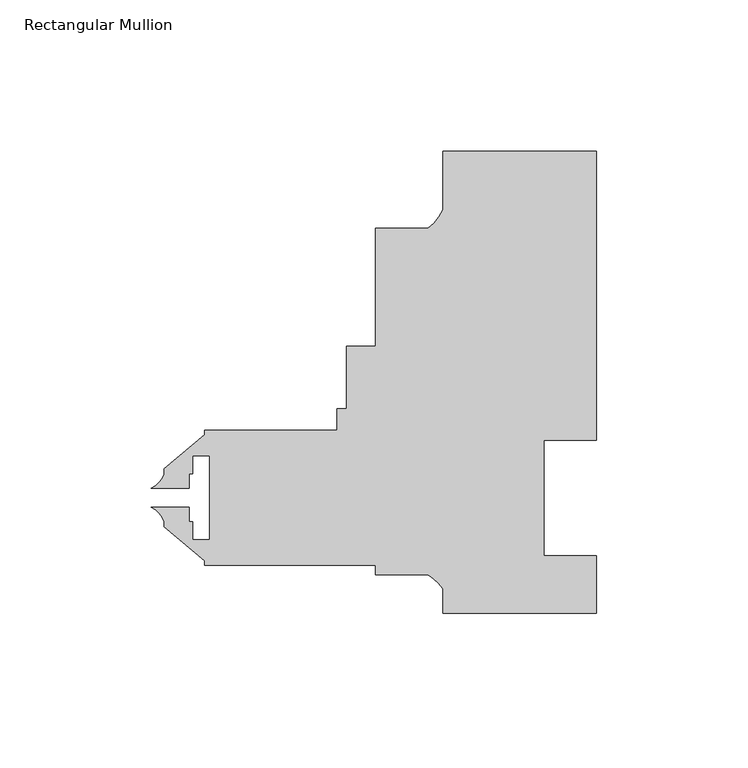
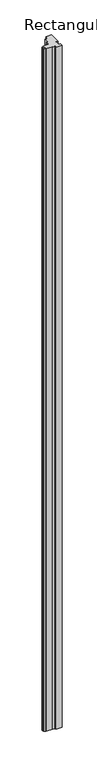
"""IFC4 building model written with IfcOpenShell, lengths in millimetres: member geometry, Rectangular Mullion."""

from ifc_helpers import new_model, si_unit, point, frame, frame_2d, origin, place, context, project, spatial, polyline, circle_curve, trimmed, segment, composite_curve, outline, extrude, source, transform, mapped, element, save


def rectangular_mullion_e307ffc6(model_context):
    return source(origin(), model_context, "Body", "SweptSolid", [
        extrude(outline(composite_curve([segment(polyline([(-47.625, 127.0), (-30.2934851, 127.0)]), True, "CONTINUOUS"), segment(trimmed(circle_curve(frame_2d((-39.5144624, 139.281361)), 15.3576772), [point((-30.2934851, 127.0))], [point((-25.4, 133.228246))], True, "CARTESIAN"), True, "CONTINUOUS"), segment(polyline([(-25.4, 133.228246), (-25.4, 152.4), (25.4, 152.4), (25.4, 57.15), (7.9502, 57.15), (7.9502, 19.05), (25.3999898, 19.05), (25.3999898, 0.0), (-25.4000102, 0.0), (-25.4000102, 8.1515407)]), True, "CONTINUOUS"), segment(trimmed(circle_curve(frame_2d((-37.3094465, 0.1243368)), 14.3621265), [point((-25.4000102, 8.1515407))], [point((-30.3723453, 12.7))], True, "CARTESIAN"), True, "CONTINUOUS"), segment(polyline([(-30.3723453, 12.7), (-47.625, 12.7), (-47.625, 15.875), (-103.98125, 15.875), (-103.98125, 17.2691667), (-117.44325, 28.565126), (-117.44325, 30.2532603)]), True, "CONTINUOUS"), segment(trimmed(circle_curve(frame_2d((-124.8192524, 27.8631039)), 7.7535965), [point((-117.44325, 30.2532603))], [point((-121.6410584, 34.9353979))], True, "CARTESIAN"), True, "CONTINUOUS"), segment(polyline([(-121.6410584, 34.9353979), (-109.14848, 34.9353979), (-109.14848, 30.17266), (-108.01985, 30.17266), (-108.01985, 24.20366), (-102.40645, 24.20366), (-102.40645, 51.99126), (-108.01985, 51.99126), (-108.01985, 46.02226), (-109.14848, 46.02226), (-109.14848, 41.2595155), (-121.6410731, 41.2595155)]), True, "CONTINUOUS"), segment(trimmed(circle_curve(frame_2d((-124.8192524, 48.3318161)), 7.7535965), [point((-121.6410731, 41.2595155))], [point((-117.44325, 45.9416597))], True, "CARTESIAN"), True, "CONTINUOUS"), segment(polyline([(-117.44325, 45.9416597), (-117.44325, 47.629794), (-103.98125, 58.9257533), (-103.98125, 60.325), (-60.3274573, 60.325), (-60.3274573, 67.537255), (-57.1524573, 67.537255), (-57.1524573, 88.162055), (-47.625, 88.162055), (-47.625, 127.0)]), True, "CONTINUOUS")], self_intersect=False)), frame((0.0, 0.0, -6215.2544314), z_axis=(0.0, 0.0, 1.0), x_axis=(1.0, 0.0, 0.0)), (0.0, 0.0, 1.0), 6215.2544314),
    ])


if __name__ == "__main__":
    model = new_model("IFC4")
    model_context = context("Model", 3, world=origin())
    ifc_project = project(units=[si_unit("LENGTHUNIT", "METRE", prefix="MILLI")], contexts=[model_context])
    site = spatial("IfcSite", under=ifc_project)
    building = spatial("IfcBuilding", under=site)
    placement = place(None, origin())
    rectangular_mullion_shape = rectangular_mullion_e307ffc6(model_context)
    element("IfcMember", 1, ObjectType="Rectangular Mullion", at=placement, inside=building, context=model_context, shape_type="MappedRepresentation", body=[
        mapped(rectangular_mullion_shape, transform((0.0, 0.0, 0.0), x_axis=(1.0, 0.0, 0.0), y_axis=(0.0, 1.0, 0.0), z_axis=(0.0, 0.0, 1.0))),
    ])
    save(model, "model.ifc")
